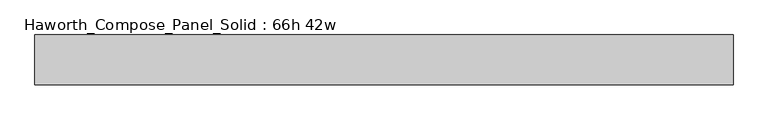
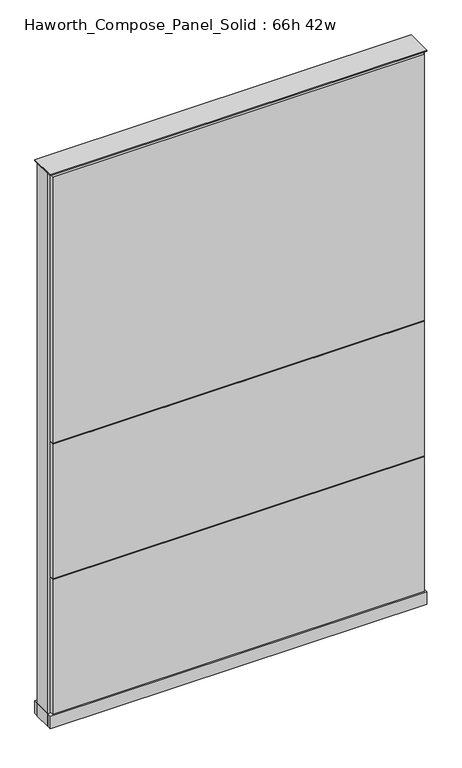
"""IFC4 building model written with IfcOpenShell, lengths in millimetres: furniture geometry, Haworth_Compose_Panel_Solid : 66h 42w."""

from ifc_helpers import new_model, si_unit, point, frame, frame_2d, origin, origin_with_axes, place, context, project, spatial, polyline, circle_curve, trimmed, segment, composite_curve, outline, extrude, source, transform, mapped, element, save


def haworth_compose_panel_solid_66h_42w_086d4434(model_context):
    return source(origin(), model_context, "Body", "SweptSolid", [
        extrude(outline(composite_curve([segment(trimmed(circle_curve(frame_2d((-454.7597098, 0.0)), 12.7), [point((-467.4597098, 0.0))], [point((-442.0597098, 0.0))], False, "CARTESIAN"), True, "CONTINUOUS"), segment(trimmed(circle_curve(frame_2d((-454.7597098, 0.0)), 12.7), [point((-442.0597098, 0.0))], [point((-467.4597098, 0.0))], False, "CARTESIAN"), True, "CONTINUOUS")], self_intersect=False)), origin_with_axes(), (0.0, 0.0, 1.0), 12.7),
        extrude(outline(composite_curve([segment(trimmed(circle_curve(frame_2d((459.6402902, 0.0)), 12.7), [point((446.9402902, 0.0))], [point((472.3402902, 0.0))], False, "CARTESIAN"), True, "CONTINUOUS"), segment(trimmed(circle_curve(frame_2d((459.6402902, 0.0)), 12.7), [point((472.3402902, 0.0))], [point((446.9402902, 0.0))], False, "CARTESIAN"), True, "CONTINUOUS")], self_intersect=False)), origin_with_axes(), (0.0, 0.0, 1.0), 12.7),
        extrude(outline(polyline([(529.4902902, 38.1), (529.4902902, 25.4), (-524.6097098, 25.4), (-524.6097098, 38.1), (529.4902902, 38.1)])), frame((0.0, 0.0, 866.775), z_axis=(0.0, 0.0, 1.0), x_axis=(1.0, 0.0, 0.0)), (0.0, 0.0, 1.0), 796.925),
        extrude(outline(polyline([(529.4902902, 38.1), (529.4902902, 25.4), (-524.6097098, 25.4), (-524.6097098, 38.1), (529.4902902, 38.1)])), frame((0.0, 0.0, 460.375), z_axis=(0.0, 0.0, 1.0), x_axis=(1.0, 0.0, 0.0)), (0.0, 0.0, 1.0), 403.225),
        extrude(outline(polyline([(529.4902902, 38.1), (529.4902902, 25.4), (-524.6097098, 25.4), (-524.6097098, 38.1), (529.4902902, 38.1)])), frame((0.0, 0.0, 53.975), z_axis=(0.0, 0.0, 1.0), x_axis=(1.0, 0.0, 0.0)), (0.0, 0.0, 1.0), 403.225),
        extrude(outline(polyline([(529.4902902, -38.1), (-524.6097098, -38.1), (-524.6097098, -25.4), (529.4902902, -25.4), (529.4902902, -38.1)])), frame((0.0, 0.0, 866.775), z_axis=(0.0, 0.0, 1.0), x_axis=(1.0, 0.0, 0.0)), (0.0, 0.0, 1.0), 796.925),
        extrude(outline(polyline([(529.4902902, -38.1), (-524.6097098, -38.1), (-524.6097098, -25.4), (529.4902902, -25.4), (529.4902902, -38.1)])), frame((0.0, 0.0, 460.375), z_axis=(0.0, 0.0, 1.0), x_axis=(1.0, 0.0, 0.0)), (0.0, 0.0, 1.0), 403.225),
        extrude(outline(polyline([(529.4902902, -38.1), (-524.6097098, -38.1), (-524.6097098, -25.4), (529.4902902, -25.4), (529.4902902, -38.1)])), frame((0.0, 0.0, 53.975), z_axis=(0.0, 0.0, 1.0), x_axis=(1.0, 0.0, 0.0)), (0.0, 0.0, 1.0), 403.225),
        extrude(outline(polyline([(535.8402902, 25.4), (535.8402902, -25.4), (-530.9597098, -25.4), (-530.9597098, 25.4), (535.8402902, 25.4)])), frame((0.0, 0.0, 12.7), z_axis=(0.0, 0.0, 1.0), x_axis=(1.0, 0.0, 0.0)), (0.0, 0.0, 1.0), 1657.35),
        extrude(outline(polyline([(-530.9597098, -38.1), (-530.9597098, 38.1), (535.8402902, 38.1), (535.8402902, -38.1), (-530.9597098, -38.1)])), frame((0.0, 0.0, 12.7), z_axis=(0.0, 0.0, 1.0), x_axis=(1.0, 0.0, 0.0)), (0.0, 0.0, 1.0), 38.1),
        extrude(outline(polyline([(-530.9597098, -38.1), (-530.9597098, 38.1), (535.8402902, 38.1), (535.8402902, -38.1), (-530.9597098, -38.1)])), frame((0.0, 0.0, 1670.05), z_axis=(0.0, 0.0, 1.0), x_axis=(1.0, 0.0, 0.0)), (0.0, 0.0, 1.0), 3.175),
    ])


if __name__ == "__main__":
    model = new_model("IFC4")
    model_context = context("Model", 3, world=origin())
    ifc_project = project(units=[si_unit("LENGTHUNIT", "METRE", prefix="MILLI")], contexts=[model_context])
    site = spatial("IfcSite", under=ifc_project)
    building = spatial("IfcBuilding", under=site)
    placement = place(None, origin())
    haworth_compose_panel_solid_66h_42w_shape = haworth_compose_panel_solid_66h_42w_086d4434(model_context)
    element("IfcFurniture", 1, ObjectType="Haworth_Compose_Panel_Solid : 66h 42w", at=placement, inside=building, context=model_context, shape_type="MappedRepresentation", body=[
        mapped(haworth_compose_panel_solid_66h_42w_shape, transform((0.0, 0.0, 0.0), x_axis=(1.0, 0.0, 0.0), y_axis=(0.0, 1.0, 0.0), z_axis=(0.0, 0.0, 1.0))),
    ])
    save(model, "model.ifc")
